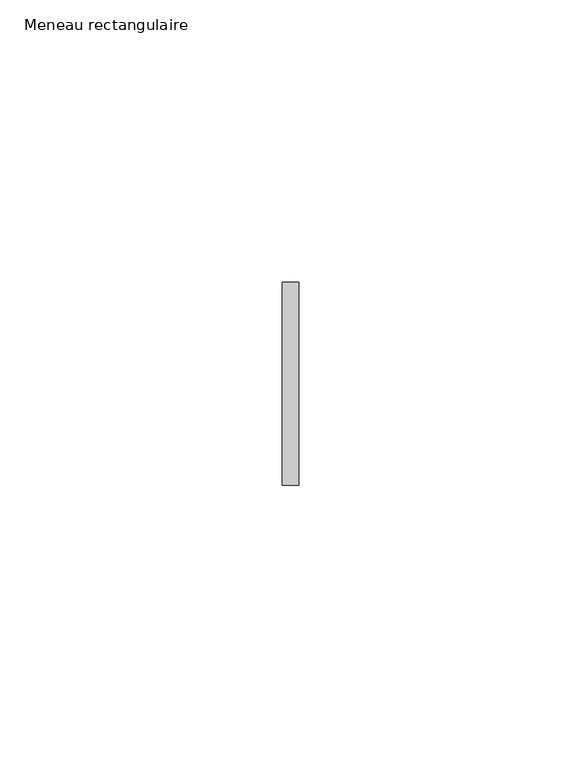
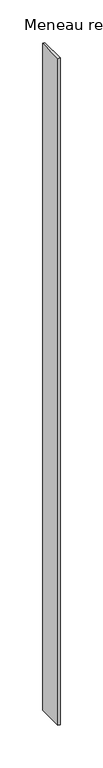
"""IFC4 building model written with IfcOpenShell, lengths in millimetres: member geometry, Meneau rectangulaire."""

from ifc_helpers import new_model, si_unit, frame, origin, place, context, project, spatial, polyline, outline, extrude, source, transform, mapped, element, save


def meneau_rectangulaire_4bd0463b(model_context):
    return source(origin(), model_context, "Body", "SweptSolid", [
        extrude(outline(polyline([(-1.5, 18.0), (1.5, 18.0), (1.5, -18.0), (-1.5, -18.0), (-1.5, 18.0)])), frame((0.0, 0.0, -955.0), z_axis=(0.0, 0.0, 1.0), x_axis=(1.0, 0.0, 0.0)), (0.0, 0.0, 1.0), 955.0),
    ])


if __name__ == "__main__":
    model = new_model("IFC4")
    model_context = context("Model", 3, world=origin())
    ifc_project = project(units=[si_unit("LENGTHUNIT", "METRE", prefix="MILLI")], contexts=[model_context])
    site = spatial("IfcSite", under=ifc_project)
    building = spatial("IfcBuilding", under=site)
    placement = place(None, origin())
    meneau_rectangulaire_shape = meneau_rectangulaire_4bd0463b(model_context)
    element("IfcMember", 1, ObjectType="Meneau rectangulaire", at=placement, inside=building, context=model_context, shape_type="MappedRepresentation", body=[
        mapped(meneau_rectangulaire_shape, transform((0.0, 0.0, 0.0), x_axis=(1.0, 0.0, 0.0), y_axis=(0.0, 1.0, 0.0), z_axis=(0.0, 0.0, 1.0))),
    ])
    save(model, "model.ifc")
